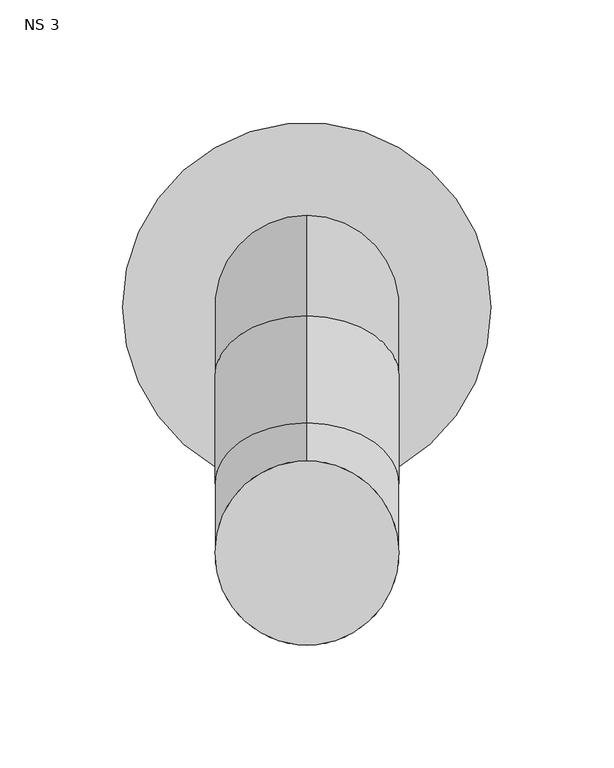
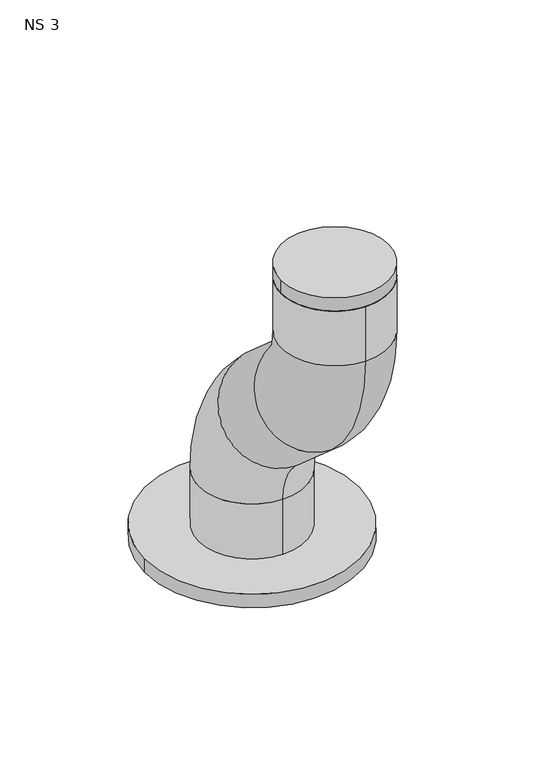
"""IFC4 building model written with IfcOpenShell, lengths in millimetres: unitary equipment geometry, NS 3."""

from ifc_helpers import new_model, si_unit, point, frame, frame_2d, origin, place, context, project, spatial, circle_curve, ellipse_curve, trimmed, segment, composite_curve, outline, extrude, source, transform, mapped, element, save
from ifc_brep_helpers import plane_surface, cylinder_surface, revolved_surface, advanced_brep


def ns_3_dada316d(model_context):
    return source(origin(), model_context, "Body", "SolidModel", [
        advanced_brep(
        [(-50.0, 37.5, 1252.0), (-50.0, -37.5, 1252.0), (-50.0, 37.5, 1302.1666667), (-50.0, -37.5, 1302.1666667), (-50.0, -52.9188525, 1336.1888735), (-50.0, -3.4777932, 1392.5855192), (-50.0, -47.0811475, 1430.8111265), (-50.0, -96.5222068, 1374.4144808), (-50.0, -137.5, 1464.8333333), (-50.0, -62.5, 1464.8333333), (-50.0, -62.5, 1505.0), (-50.0, -137.5, 1505.0)],
        [
            (0, 1, circle_curve(frame((-50.0, 0.0, 1252.0), z_axis=(0.0, 0.0, -1.0), x_axis=(0.0, -1.0, 0.0)), 37.5)),
            (1, 0, circle_curve(frame((-50.0, 0.0, 1252.0), z_axis=(0.0, 0.0, -1.0), x_axis=(0.0, -1.0, 0.0)), 37.5)),
            (0, 2),
            (2, 3, circle_curve(frame((-50.0, 0.0, 1302.1666667), z_axis=(0.0, 0.0, -1.0), x_axis=(0.0, -1.0, 0.0)), 37.5)),
            (3, 1),
            (3, 2, circle_curve(frame((-50.0, 0.0, 1302.1666667), z_axis=(0.0, 0.0, -1.0), x_axis=(0.0, -1.0, 0.0)), 37.5)),
            (4, 3, circle_curve(frame((-50.0, -82.7449872, 1302.1666667), z_axis=(-1.0, 0.0, 0.0), x_axis=(0.0, 1.0, 0.0)), 45.2449872)),
            (2, 5, circle_curve(frame((-50.0, -82.7449872, 1302.1666667), z_axis=(1.0, 0.0, 0.0), x_axis=(0.0, 1.0, 0.0)), 120.2449872)),
            (5, 4, circle_curve(frame((-50.0, -28.1983228, 1364.3871964), z_axis=(0.0, 0.7519552759659777, -0.6592141252635069), x_axis=(0.0, -0.6592141252635069, -0.7519552759659777)), 37.5)),
            (4, 5, circle_curve(frame((-50.0, -28.1983228, 1364.3871964), z_axis=(0.0, 0.7519552759659779, -0.6592141252635065), x_axis=(0.0, -0.6592141252635065, -0.7519552759659779)), 37.5)),
            (5, 6),
            (6, 7, circle_curve(frame((-50.0, -71.8016772, 1402.6128036), z_axis=(0.0, 0.7519552759659772, -0.6592141252635073), x_axis=(0.0, -0.6592141252635073, -0.7519552759659772)), 37.5)),
            (7, 4),
            (7, 6, circle_curve(frame((-50.0, -71.8016772, 1402.6128036), z_axis=(0.0, 0.7519552759659772, -0.6592141252635073), x_axis=(0.0, -0.6592141252635073, -0.7519552759659772)), 37.5)),
            (8, 7, circle_curve(frame((-50.0, -17.2550128, 1464.8333333), z_axis=(1.0, 0.0, 0.0), x_axis=(0.0, -0.6592141252635073, -0.7519552759659771)), 120.2449872)),
            (6, 9, circle_curve(frame((-50.0, -17.2550128, 1464.8333333), z_axis=(-1.0, 0.0, 0.0), x_axis=(0.0, -0.6592141252635073, -0.7519552759659771)), 45.2449872)),
            (9, 8, circle_curve(frame((-50.0, -100.0, 1464.8333333), z_axis=(0.0, 0.0, -1.0), x_axis=(0.0, -1.0, 0.0)), 37.5)),
            (8, 9, circle_curve(frame((-50.0, -100.0, 1464.8333333), z_axis=(0.0, 0.0, -1.0), x_axis=(0.0, -1.0, 0.0)), 37.5)),
            (10, 11, circle_curve(frame((-50.0, -100.0, 1505.0), z_axis=(0.0, 0.0, 1.0), x_axis=(0.0, -1.0, 0.0)), 37.5)),
            (11, 10, circle_curve(frame((-50.0, -100.0, 1505.0), z_axis=(0.0, 0.0, 1.0), x_axis=(0.0, -1.0, 0.0)), 37.5)),
            (9, 10),
            (11, 8),
        ],
        [
            plane_surface(frame((-50.0, 0.0, 1252.0), z_axis=(0.0, 0.0, -1.0), x_axis=(1.0, 0.0, 0.0))),
            cylinder_surface(frame((-50.0, 0.0, 1252.0), z_axis=(0.0, 0.0, -1.0), x_axis=(0.0, -1.0, 0.0)), 37.5),
            revolved_surface(trimmed(ellipse_curve(frame((-50.0, 0.0, 1302.1666667), z_axis=(0.0, 0.0, -1.0), x_axis=(0.0, -1.0, 0.0)), 37.5, 37.5), [point((-50.0, 37.5, 1302.1666667))], [point((-50.0, -37.5, 1302.1666667))], True, "CARTESIAN"), (-50.0, -82.7449872, 1302.1666667), (1.0, 0.0, 0.0)),
            revolved_surface(trimmed(ellipse_curve(frame((-50.0, 0.0, 1302.1666667), z_axis=(0.0, 0.0, -1.0), x_axis=(0.0, -1.0, 0.0)), 37.5, 37.5), [point((-50.0, -37.5, 1302.1666667))], [point((-50.0, 37.5, 1302.1666667))], True, "CARTESIAN"), (-50.0, -82.7449872, 1302.1666667), (1.0, 0.0, 0.0)),
            cylinder_surface(frame((-50.0, -28.1983228, 1364.3871964), z_axis=(0.0, 0.7519552759659772, -0.6592141252635073), x_axis=(0.0, -0.6592141252635073, -0.7519552759659772)), 37.5),
            revolved_surface(trimmed(ellipse_curve(frame((-50.0, -71.8016772, 1402.6128036), z_axis=(0.0, 0.7519552759659771, -0.6592141252635073), x_axis=(0.0, -0.6592141252635073, -0.7519552759659771)), 37.5, 37.5), [point((-50.0, -47.0811475, 1430.8111265))], [point((-50.0, -96.5222068, 1374.4144808))], True, "CARTESIAN"), (-50.0, -17.2550128, 1464.8333333), (-1.0, 0.0, 0.0)),
            revolved_surface(trimmed(ellipse_curve(frame((-50.0, -71.8016772, 1402.6128036), z_axis=(0.0, 0.7519552759659771, -0.6592141252635073), x_axis=(0.0, -0.6592141252635073, -0.7519552759659771)), 37.5, 37.5), [point((-50.0, -96.5222068, 1374.4144808))], [point((-50.0, -47.0811475, 1430.8111265))], True, "CARTESIAN"), (-50.0, -17.2550128, 1464.8333333), (-1.0, 0.0, 0.0)),
            plane_surface(frame((-50.0, -100.0, 1505.0), z_axis=(0.0, 0.0, 1.0), x_axis=(1.0, 0.0, 0.0))),
            cylinder_surface(frame((-50.0, -100.0, 1464.8333333), z_axis=(0.0, 0.0, -1.0), x_axis=(0.0, -1.0, 0.0)), 37.5),
        ],
        [
            (0, [[1, 2]]),
            (1, [[-1, 3, 4, 5]]),
            (1, [[-2, -5, 6, -3]]),
            (2, [[7, -4, 8, 9]]),
            (3, [[-8, -6, -7, 10]]),
            (4, [[-9, 11, 12, 13]]),
            (4, [[-10, -13, 14, -11]]),
            (5, [[15, -12, 16, 17]]),
            (6, [[-16, -14, -15, 18]]),
            (7, [[19, 20]]),
            (8, [[-17, 21, -20, 22]]),
            (8, [[-18, -22, -19, -21]]),
        ],
    ),
        extrude(outline(composite_curve([segment(trimmed(circle_curve(frame_2d((-50.0, -100.0)), 37.5), [point((-87.5, -100.0))], [point((-12.5, -100.0))], False, "CARTESIAN"), True, "CONTINUOUS"), segment(trimmed(circle_curve(frame_2d((-50.0, -100.0)), 37.5), [point((-12.5, -100.0))], [point((-87.5, -100.0))], False, "CARTESIAN"), True, "CONTINUOUS")], self_intersect=False)), frame((0.0, 0.0, 1505.0), z_axis=(0.0, 0.0, 1.0), x_axis=(1.0, 0.0, 0.0)), (0.0, 0.0, 1.0), 10.0),
        extrude(outline(composite_curve([segment(trimmed(circle_curve(frame_2d((-50.0, 0.0)), 75.0), [point((-125.0, 0.0))], [point((25.0, 0.0))], False, "CARTESIAN"), True, "CONTINUOUS"), segment(trimmed(circle_curve(frame_2d((-50.0, 0.0)), 75.0), [point((25.0, 0.0))], [point((-125.0, 0.0))], False, "CARTESIAN"), True, "CONTINUOUS")], self_intersect=False)), frame((0.0, 0.0, 1252.0), z_axis=(0.0, 0.0, 1.0), x_axis=(1.0, 0.0, 0.0)), (0.0, 0.0, 1.0), 10.0),
    ])


if __name__ == "__main__":
    model = new_model("IFC4")
    model_context = context("Model", 3, world=origin())
    ifc_project = project(units=[si_unit("LENGTHUNIT", "METRE", prefix="MILLI")], contexts=[model_context])
    site = spatial("IfcSite", under=ifc_project)
    building = spatial("IfcBuilding", under=site)
    placement = place(None, origin())
    ns_3_shape = ns_3_dada316d(model_context)
    element("IfcUnitaryEquipment", 1, ObjectType="NS 3", at=placement, inside=building, context=model_context, shape_type="MappedRepresentation", body=[
        mapped(ns_3_shape, transform((0.0, 0.0, 0.0), x_axis=(1.0, 0.0, 0.0), y_axis=(0.0, 1.0, 0.0), z_axis=(0.0, 0.0, 1.0))),
    ])
    save(model, "model.ifc")
